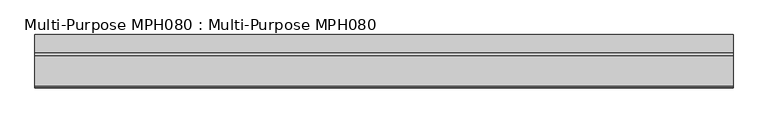
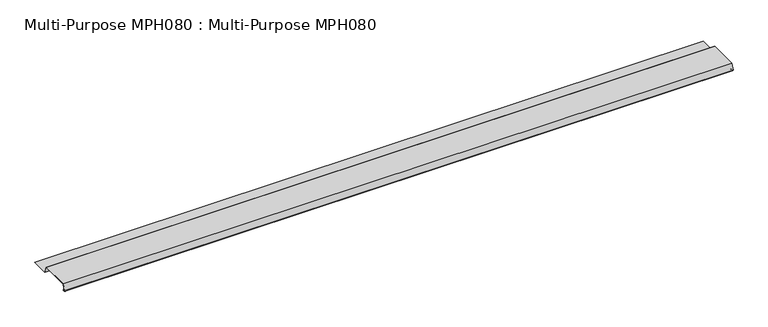
"""IFC4 building model written with IfcOpenShell, lengths in millimetres: proxy geometry, Multi-Purpose MPH080 : Multi-Purpose MPH080."""

from ifc_helpers import new_model, si_unit, point, frame, frame_2d, origin, place, context, project, spatial, polyline, circle_curve, trimmed, segment, composite_curve, outline, extrude, source, transform, mapped, element, save


def multi_purpose_mph080_multi_purpose_mph080_d08893b3(model_context):
    return source(origin(), model_context, "Body", "SweptSolid", [
        extrude(outline(composite_curve([segment(polyline([(-144.1857487, -5.82303), (-144.7200633, -6.4355263), (-145.6011677, -5.6668899)]), True, "CONTINUOUS"), segment(trimmed(circle_curve(frame_2d((-146.8993853, -7.1550646)), 1.97485), [point((-145.6011677, -5.6668899))], [point((-147.9891404, -5.5081079))], True, "CARTESIAN"), True, "CONTINUOUS"), segment(polyline([(-147.9891404, -5.5081079), (-150.7923718, -7.3629448)]), True, "CONTINUOUS"), segment(trimmed(circle_curve(frame_2d((-152.1063853, -5.3770646)), 2.38125), [point((-150.7923718, -7.3629448))], [point((-154.3440283, -4.5626291))], False, "CARTESIAN"), True, "CONTINUOUS"), segment(polyline([(-154.3440283, -4.5626291), (-144.2469428, 23.1788854), (-10.8969428, 23.1788854), (0.3632772, -7.7583146), (79.1923647, -7.7583146), (79.1923647, -8.5711146), (-0.2058515, -8.5711146), (-11.4660715, 22.3660854), (-143.6778141, 22.3660854), (-153.5802461, -4.8406231)]), True, "CONTINUOUS"), segment(trimmed(circle_curve(frame_2d((-152.1063853, -5.3770646)), 1.56845), [point((-153.5802461, -4.8406231))], [point((-151.2408884, -6.6850976))], True, "CARTESIAN"), True, "CONTINUOUS"), segment(polyline([(-151.2408884, -6.6850976), (-148.437657, -4.8302608)]), True, "CONTINUOUS"), segment(trimmed(circle_curve(frame_2d((-146.8993853, -7.1550646)), 2.78765), [point((-148.437657, -4.8302608))], [point((-145.0668532, -5.0543936))], False, "CARTESIAN"), True, "CONTINUOUS"), segment(polyline([(-145.0668532, -5.0543936), (-144.1857487, -5.82303)]), True, "CONTINUOUS")], self_intersect=False)), frame((-1102.2989423, 0.0, 0.0), z_axis=(1.0, 0.0, 0.0), x_axis=(0.0, 1.0, 0.0)), (0.0, 0.0, 1.0), 3048.0),
    ])


if __name__ == "__main__":
    model = new_model("IFC4")
    model_context = context("Model", 3, world=origin())
    ifc_project = project(units=[si_unit("LENGTHUNIT", "METRE", prefix="MILLI")], contexts=[model_context])
    site = spatial("IfcSite", under=ifc_project)
    building = spatial("IfcBuilding", under=site)
    placement = place(None, origin())
    multi_purpose_mph080_multi_purpose_mph080_shape = multi_purpose_mph080_multi_purpose_mph080_d08893b3(model_context)
    element("IfcBuildingElementProxy", 1, Name="Multi-Purpose MPH080 : Multi-Purpose MPH080", ObjectType="Multi-Purpose MPH080 : Multi-Purpose MPH080", at=placement, inside=building, context=model_context, shape_type="MappedRepresentation", body=[
        mapped(multi_purpose_mph080_multi_purpose_mph080_shape, transform((0.0, 0.0, 0.0), x_axis=(1.0, 0.0, 0.0), y_axis=(0.0, 1.0, 0.0), z_axis=(0.0, 0.0, 1.0))),
    ])
    save(model, "model.ifc")
